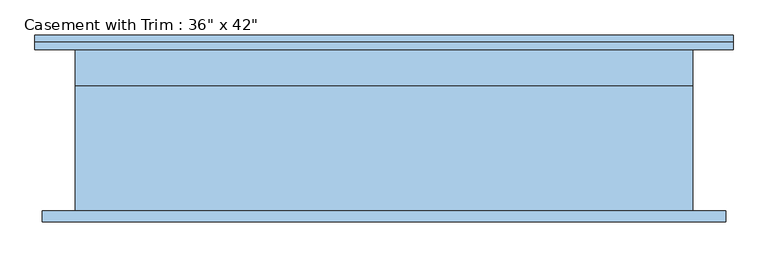
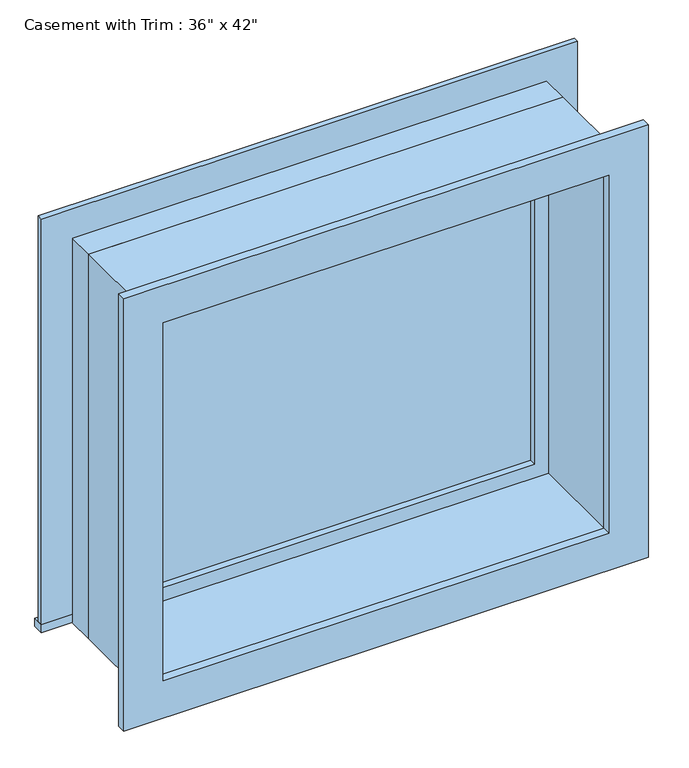
"""IFC4 building model written with IfcOpenShell, lengths in millimetres: window geometry."""

from ifc_helpers import new_model, si_unit, frame, origin, place, context, project, spatial, polyline, outline, extrude, source, transform, mapped, element, save


def window_909b7fc0(model_context):
    return source(origin(), model_context, "Body", "SweptSolid", [
        extrude(outline(polyline([(-603.25, 165.1), (603.25, 165.1), (603.25, 139.7), (-603.25, 139.7), (-603.25, 165.1)])), frame((0.0, 0.0, 914.4), z_axis=(0.0, 0.0, 1.0), x_axis=(1.0, 0.0, 0.0)), (0.0, 0.0, 1.0), 19.05),
        extrude(outline(polyline([(1809.75, -514.35), (1809.75, 514.35), (933.45, 514.35), (933.45, 603.25), (1898.65, 603.25), (1898.65, -603.25), (933.45, -603.25), (933.45, -514.35), (1809.75, -514.35)])), frame((0.0, 139.7, 0.0), z_axis=(0.0, 1.0, 0.0), x_axis=(0.0, 0.0, 1.0)), (0.0, 0.0, 1.0), 12.7),
        extrude(outline(polyline([(1885.95, 590.55), (1885.95, -590.55), (857.25, -590.55), (857.25, 590.55), (1885.95, 590.55)]), holes=[polyline([(1797.05, 501.65), (946.15, 501.65), (946.15, -501.65), (1797.05, -501.65), (1797.05, 501.65)])]), frame((0.0, -158.75, 0.0), z_axis=(0.0, 1.0, 0.0), x_axis=(0.0, 0.0, 1.0)), (0.0, 0.0, 1.0), 19.05),
        extrude(outline(polyline([(469.9, 92.075), (-469.9, 92.075), (-469.9, 104.775), (469.9, 104.775), (469.9, 92.075)])), frame((0.0, 0.0, 977.9), z_axis=(0.0, 0.0, 1.0), x_axis=(1.0, 0.0, 0.0)), (0.0, 0.0, 1.0), 787.4),
        extrude(outline(polyline([(1809.75, -514.35), (933.45, -514.35), (933.45, 514.35), (1809.75, 514.35), (1809.75, -514.35)]), holes=[polyline([(1765.3, -469.9), (1765.3, 469.9), (977.9, 469.9), (977.9, -469.9), (1765.3, -469.9)])]), frame((0.0, 76.2, 0.0), z_axis=(0.0, 1.0, 0.0), x_axis=(0.0, 0.0, 1.0)), (0.0, 0.0, 1.0), 44.45),
        extrude(outline(polyline([(1828.8, -533.4), (914.4, -533.4), (914.4, 533.4), (1828.8, 533.4), (1828.8, -533.4)]), holes=[polyline([(1797.05, -501.65), (1797.05, 501.65), (946.15, 501.65), (946.15, -501.65), (1797.05, -501.65)])]), frame((0.0, -139.7, 0.0), z_axis=(0.0, 1.0, 0.0), x_axis=(0.0, 0.0, 1.0)), (0.0, 0.0, 1.0), 215.9),
        extrude(outline(polyline([(1828.8, 533.4), (1828.8, -533.4), (914.4, -533.4), (914.4, 533.4), (1828.8, 533.4)]), holes=[polyline([(1809.75, 514.35), (933.45, 514.35), (933.45, -514.35), (1809.75, -514.35), (1809.75, 514.35)])]), frame((0.0, 76.2, 0.0), z_axis=(0.0, 1.0, 0.0), x_axis=(0.0, 0.0, 1.0)), (0.0, 0.0, 1.0), 63.5),
    ])


if __name__ == "__main__":
    model = new_model("IFC4")
    model_context = context("Model", 3, world=origin())
    ifc_project = project(units=[si_unit("LENGTHUNIT", "METRE", prefix="MILLI")], contexts=[model_context])
    site = spatial("IfcSite", under=ifc_project)
    building = spatial("IfcBuilding", under=site)
    placement = place(None, origin())
    window_shape = window_909b7fc0(model_context)
    element("IfcWindow", 1, ObjectType="Casement with Trim : 36\" x 42\"", at=placement, inside=building, context=model_context, shape_type="MappedRepresentation", body=[
        mapped(window_shape, transform((0.0, 0.0, 0.0), x_axis=(1.0, 0.0, 0.0), y_axis=(0.0, 1.0, 0.0), z_axis=(0.0, 0.0, 1.0))),
    ])
    save(model, "model.ifc")
